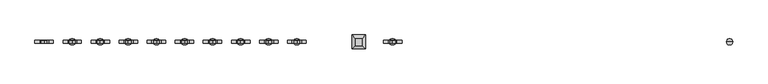
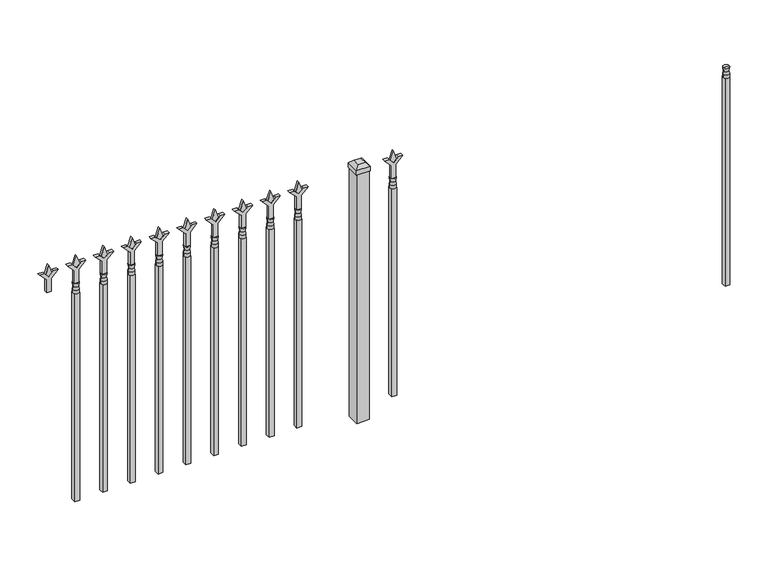
"""IFC4 building model written with IfcOpenShell, lengths in millimetres: railing geometry."""

from ifc_helpers import new_model, si_unit, frame, origin, origin_with_axes, place, context, project, spatial, polyline, circle_curve, outline, extrude, faceted_brep, source, transform, mapped, element, save
from ifc_brep_helpers import plane_surface, cylinder_surface, revolved_surface, advanced_brep


def railing_1340592c(model_context):
    return source(origin(), model_context, "Body", "SolidModel", [
        advanced_brep(
        [(-82699.574337, -6731.2570174, 927.1), (-82723.386837, -6731.2570174, 927.1), (-82723.386837, -6731.2570174, 914.4), (-82699.574337, -6731.2570174, 914.4), (-82701.7796688, -6731.2570174, 939.6070585), (-82721.1815051, -6731.2570174, 939.6070585), (-82699.574337, -6731.2570174, 955.675), (-82723.386837, -6731.2570174, 955.675), (-82711.480587, -6731.2570174, 955.675), (-82711.480587, -6731.2570174, 914.4)],
        [
            (0, 1, circle_curve(frame((-82711.480587, -6731.2570174, 927.1), z_axis=(0.0, 0.0, -1.0), x_axis=(-1.0, 0.0, 0.0)), 11.90625)),
            (1, 2),
            (2, 3, circle_curve(frame((-82711.480587, -6731.2570174, 914.4), z_axis=(0.0, 0.0, 1.0), x_axis=(-1.0, 0.0, 0.0)), 11.90625)),
            (3, 0),
            (1, 0, circle_curve(frame((-82711.480587, -6731.2570174, 927.1), z_axis=(0.0, 0.0, -1.0), x_axis=(-1.0, 0.0, 0.0)), 11.90625)),
            (3, 2, circle_curve(frame((-82711.480587, -6731.2570174, 914.4), z_axis=(0.0, 0.0, 1.0), x_axis=(-1.0, 0.0, 0.0)), 11.90625)),
            (4, 5, circle_curve(frame((-82711.480587, -6731.2570174, 939.6070585), z_axis=(0.0, 0.0, -1.0), x_axis=(-1.0, 0.0, 0.0)), 9.7009181)),
            (5, 1),
            (0, 4),
            (5, 4, circle_curve(frame((-82711.480587, -6731.2570174, 939.6070585), z_axis=(0.0, 0.0, -1.0), x_axis=(-1.0, 0.0, 0.0)), 9.7009181)),
            (6, 7, circle_curve(frame((-82711.480587, -6731.2570174, 955.675), z_axis=(0.0, 0.0, -1.0), x_axis=(-1.0, 0.0, 0.0)), 11.90625)),
            (7, 5),
            (4, 6),
            (7, 6, circle_curve(frame((-82711.480587, -6731.2570174, 955.675), z_axis=(0.0, 0.0, -1.0), x_axis=(-1.0, 0.0, 0.0)), 11.90625)),
            (8, 7),
            (6, 8),
            (2, 9),
            (9, 3),
        ],
        [
            cylinder_surface(frame((-82711.480587, -6731.2570174, 914.4), z_axis=(0.0, 0.0, 1.0), x_axis=(-1.0, 0.0, 0.0)), 11.90625),
            revolved_surface(polyline([(-82723.386837, -6731.2570174, 927.1), (-82721.1815051, -6731.2570174, 939.6070585)]), (-82711.480587, -6731.2570174, 914.4), (0.0, 0.0, 1.0)),
            revolved_surface(polyline([(-82721.1815051, -6731.2570174, 939.6070585), (-82723.386837, -6731.2570174, 955.675)]), (-82711.480587, -6731.2570174, 914.4), (0.0, 0.0, 1.0)),
            plane_surface(frame((-82711.480587, -6731.2570174, 955.675), z_axis=(0.0, 0.0, 1.0), x_axis=(-1.0, 0.0, 0.0))),
            plane_surface(frame((-82711.480587, -6731.2570174, 914.4), z_axis=(0.0, 0.0, -1.0), x_axis=(-1.0, 0.0, 0.0))),
        ],
        [
            (0, [[1, 2, 3, 4]]),
            (0, [[5, -4, 6, -2]]),
            (1, [[7, 8, -1, 9]]),
            (1, [[10, -9, -5, -8]]),
            (2, [[11, 12, -7, 13]]),
            (2, [[14, -13, -10, -12]]),
            (3, [[15, -11, 16]]),
            (3, [[-16, -14, -15]]),
            (4, [[-3, 17, 18]]),
            (4, [[-6, -18, -17]]),
        ],
    ),
        extrude(outline(polyline([(-82721.005587, -6721.7320174), (-82701.955587, -6721.7320174), (-82701.955587, -6740.7820174), (-82721.005587, -6740.7820174), (-82721.005587, -6721.7320174)])), frame((0.0, 0.0, 50.8), z_axis=(0.0, 0.0, 1.0), x_axis=(1.0, 0.0, 0.0)), (0.0, 0.0, 1.0), 863.6),
        extrude(outline(polyline([(1031.08125, -84010.849337), (1066.8, -84022.755587), (1031.08125, -84034.661837), (1019.175, -84022.755587), (1031.08125, -84010.849337)])), frame((0.0, -6736.0195174, 0.0), z_axis=(0.0, 1.0, 0.0), x_axis=(0.0, 0.0, 1.0)), (0.0, 0.0, 1.0), 9.525),
        extrude(outline(polyline([(955.675, -84014.024337), (1009.9457378, -84014.024337), (1037.1355122, -83986.8345625), (1037.1355122, -84004.7950747), (1019.175, -84022.755587), (1037.1355122, -84040.7160992), (1037.1355122, -84058.6766114), (1009.9457378, -84031.486837), (955.675, -84031.486837), (955.675, -84014.024337)])), frame((0.0, -6737.6070174, 0.0), z_axis=(0.0, 1.0, 0.0), x_axis=(0.0, 0.0, 1.0)), (0.0, 0.0, 1.0), 12.7),
        advanced_brep(
        [(-84010.849337, -6731.2570174, 927.1), (-84034.661837, -6731.2570174, 927.1), (-84034.661837, -6731.2570174, 914.4), (-84010.849337, -6731.2570174, 914.4), (-84013.0546688, -6731.2570174, 939.6070585), (-84032.4565051, -6731.2570174, 939.6070585), (-84010.849337, -6731.2570174, 955.675), (-84034.661837, -6731.2570174, 955.675), (-84022.755587, -6731.2570174, 955.675), (-84022.755587, -6731.2570174, 914.4)],
        [
            (0, 1, circle_curve(frame((-84022.755587, -6731.2570174, 927.1), z_axis=(0.0, 0.0, -1.0), x_axis=(-1.0, 0.0, 0.0)), 11.90625)),
            (1, 2),
            (2, 3, circle_curve(frame((-84022.755587, -6731.2570174, 914.4), z_axis=(0.0, 0.0, 1.0), x_axis=(-1.0, 0.0, 0.0)), 11.90625)),
            (3, 0),
            (1, 0, circle_curve(frame((-84022.755587, -6731.2570174, 927.1), z_axis=(0.0, 0.0, -1.0), x_axis=(-1.0, 0.0, 0.0)), 11.90625)),
            (3, 2, circle_curve(frame((-84022.755587, -6731.2570174, 914.4), z_axis=(0.0, 0.0, 1.0), x_axis=(-1.0, 0.0, 0.0)), 11.90625)),
            (4, 5, circle_curve(frame((-84022.755587, -6731.2570174, 939.6070585), z_axis=(0.0, 0.0, -1.0), x_axis=(-1.0, 0.0, 0.0)), 9.7009181)),
            (5, 1),
            (0, 4),
            (5, 4, circle_curve(frame((-84022.755587, -6731.2570174, 939.6070585), z_axis=(0.0, 0.0, -1.0), x_axis=(-1.0, 0.0, 0.0)), 9.7009181)),
            (6, 7, circle_curve(frame((-84022.755587, -6731.2570174, 955.675), z_axis=(0.0, 0.0, -1.0), x_axis=(-1.0, 0.0, 0.0)), 11.90625)),
            (7, 5),
            (4, 6),
            (7, 6, circle_curve(frame((-84022.755587, -6731.2570174, 955.675), z_axis=(0.0, 0.0, -1.0), x_axis=(-1.0, 0.0, 0.0)), 11.90625)),
            (8, 7),
            (6, 8),
            (2, 9),
            (9, 3),
        ],
        [
            cylinder_surface(frame((-84022.755587, -6731.2570174, 914.4), z_axis=(0.0, 0.0, 1.0), x_axis=(-1.0, 0.0, 0.0)), 11.90625),
            revolved_surface(polyline([(-84034.661837, -6731.2570174, 927.1), (-84032.4565051, -6731.2570174, 939.6070585)]), (-84022.755587, -6731.2570174, 914.4), (0.0, 0.0, 1.0)),
            revolved_surface(polyline([(-84032.4565051, -6731.2570174, 939.6070585), (-84034.661837, -6731.2570174, 955.675)]), (-84022.755587, -6731.2570174, 914.4), (0.0, 0.0, 1.0)),
            plane_surface(frame((-84022.755587, -6731.2570174, 955.675), z_axis=(0.0, 0.0, 1.0), x_axis=(-1.0, 0.0, 0.0))),
            plane_surface(frame((-84022.755587, -6731.2570174, 914.4), z_axis=(0.0, 0.0, -1.0), x_axis=(-1.0, 0.0, 0.0))),
        ],
        [
            (0, [[1, 2, 3, 4]]),
            (0, [[5, -4, 6, -2]]),
            (1, [[7, 8, -1, 9]]),
            (1, [[10, -9, -5, -8]]),
            (2, [[11, 12, -7, 13]]),
            (2, [[14, -13, -10, -12]]),
            (3, [[15, -11, 16]]),
            (3, [[-16, -14, -15]]),
            (4, [[-3, 17, 18]]),
            (4, [[-6, -18, -17]]),
        ],
    ),
        extrude(outline(polyline([(-84032.280587, -6721.7320174), (-84013.230587, -6721.7320174), (-84013.230587, -6740.7820174), (-84032.280587, -6740.7820174), (-84032.280587, -6721.7320174)])), frame((0.0, 0.0, 50.8), z_axis=(0.0, 0.0, 1.0), x_axis=(1.0, 0.0, 0.0)), (0.0, 0.0, 1.0), 863.6),
        faceted_brep([(-84181.505587, -6704.2695174, 1054.1), (-84181.505587, -6704.2695174, 1035.05), (-84181.505587, -6758.2445174, 1035.05), (-84181.505587, -6758.2445174, 1054.1), (-84168.805587, -6716.9695174, 1066.8), (-84168.805587, -6745.5445174, 1066.8), (-84127.530587, -6758.2445174, 1035.05), (-84127.530587, -6758.2445174, 1054.1), (-84140.230587, -6745.5445174, 1066.8), (-84127.530587, -6704.2695174, 1035.05), (-84127.530587, -6704.2695174, 1054.1), (-84140.230587, -6716.9695174, 1066.8)], [[[0, 1, 2, 3]], [[4, 0, 3, 5]], [[3, 2, 6, 7]], [[5, 3, 7, 8]], [[7, 6, 9, 10]], [[8, 7, 10, 11]], [[10, 9, 1, 0]], [[11, 10, 0, 4]], [[5, 8, 11, 4]], [[1, 9, 6, 2]]]),
        extrude(outline(polyline([(-84129.118087, -6705.8570174), (-84129.118087, -6756.6570174), (-84179.918087, -6756.6570174), (-84179.918087, -6705.8570174), (-84129.118087, -6705.8570174)])), origin_with_axes(), (0.0, 0.0, 1.0), 1035.05),
        extrude(outline(polyline([(1031.08125, -84383.6472536), (1066.8, -84395.5535036), (1031.08125, -84407.4597536), (1019.175, -84395.5535036), (1031.08125, -84383.6472536)])), frame((0.0, -6736.0195174, 0.0), z_axis=(0.0, 1.0, 0.0), x_axis=(0.0, 0.0, 1.0)), (0.0, 0.0, 1.0), 9.525),
        extrude(outline(polyline([(955.675, -84386.8222536), (1009.9457378, -84386.8222536), (1037.1355122, -84359.6324791), (1037.1355122, -84377.5929914), (1019.175, -84395.5535036), (1037.1355122, -84413.5140159), (1037.1355122, -84431.4745281), (1009.9457378, -84404.2847536), (955.675, -84404.2847536), (955.675, -84386.8222536)])), frame((0.0, -6737.6070174, 0.0), z_axis=(0.0, 1.0, 0.0), x_axis=(0.0, 0.0, 1.0)), (0.0, 0.0, 1.0), 12.7),
        advanced_brep(
        [(-84383.6472536, -6731.2570174, 927.1), (-84407.4597536, -6731.2570174, 927.1), (-84407.4597536, -6731.2570174, 914.4), (-84383.6472536, -6731.2570174, 914.4), (-84385.8525855, -6731.2570174, 939.6070585), (-84405.2544218, -6731.2570174, 939.6070585), (-84383.6472536, -6731.2570174, 955.675), (-84407.4597536, -6731.2570174, 955.675), (-84395.5535036, -6731.2570174, 955.675), (-84395.5535036, -6731.2570174, 914.4)],
        [
            (0, 1, circle_curve(frame((-84395.5535036, -6731.2570174, 927.1), z_axis=(0.0, 0.0, -1.0), x_axis=(-1.0, 0.0, 0.0)), 11.90625)),
            (1, 2),
            (2, 3, circle_curve(frame((-84395.5535036, -6731.2570174, 914.4), z_axis=(0.0, 0.0, 1.0), x_axis=(-1.0, 0.0, 0.0)), 11.90625)),
            (3, 0),
            (1, 0, circle_curve(frame((-84395.5535036, -6731.2570174, 927.1), z_axis=(0.0, 0.0, -1.0), x_axis=(-1.0, 0.0, 0.0)), 11.90625)),
            (3, 2, circle_curve(frame((-84395.5535036, -6731.2570174, 914.4), z_axis=(0.0, 0.0, 1.0), x_axis=(-1.0, 0.0, 0.0)), 11.90625)),
            (4, 5, circle_curve(frame((-84395.5535036, -6731.2570174, 939.6070585), z_axis=(0.0, 0.0, -1.0), x_axis=(-1.0, 0.0, 0.0)), 9.7009181)),
            (5, 1),
            (0, 4),
            (5, 4, circle_curve(frame((-84395.5535036, -6731.2570174, 939.6070585), z_axis=(0.0, 0.0, -1.0), x_axis=(-1.0, 0.0, 0.0)), 9.7009181)),
            (6, 7, circle_curve(frame((-84395.5535036, -6731.2570174, 955.675), z_axis=(0.0, 0.0, -1.0), x_axis=(-1.0, 0.0, 0.0)), 11.90625)),
            (7, 5),
            (4, 6),
            (7, 6, circle_curve(frame((-84395.5535036, -6731.2570174, 955.675), z_axis=(0.0, 0.0, -1.0), x_axis=(-1.0, 0.0, 0.0)), 11.90625)),
            (8, 7),
            (6, 8),
            (2, 9),
            (9, 3),
        ],
        [
            cylinder_surface(frame((-84395.5535036, -6731.2570174, 914.4), z_axis=(0.0, 0.0, 1.0), x_axis=(-1.0, 0.0, 0.0)), 11.90625),
            revolved_surface(polyline([(-84407.4597536, -6731.2570174, 927.1), (-84405.2544218, -6731.2570174, 939.6070585)]), (-84395.5535036, -6731.2570174, 914.4), (0.0, 0.0, 1.0)),
            revolved_surface(polyline([(-84405.2544218, -6731.2570174, 939.6070585), (-84407.4597536, -6731.2570174, 955.675)]), (-84395.5535036, -6731.2570174, 914.4), (0.0, 0.0, 1.0)),
            plane_surface(frame((-84395.5535036, -6731.2570174, 955.675), z_axis=(0.0, 0.0, 1.0), x_axis=(-1.0, 0.0, 0.0))),
            plane_surface(frame((-84395.5535036, -6731.2570174, 914.4), z_axis=(0.0, 0.0, -1.0), x_axis=(-1.0, 0.0, 0.0))),
        ],
        [
            (0, [[1, 2, 3, 4]]),
            (0, [[5, -4, 6, -2]]),
            (1, [[7, 8, -1, 9]]),
            (1, [[10, -9, -5, -8]]),
            (2, [[11, 12, -7, 13]]),
            (2, [[14, -13, -10, -12]]),
            (3, [[15, -11, 16]]),
            (3, [[-16, -14, -15]]),
            (4, [[-3, 17, 18]]),
            (4, [[-6, -18, -17]]),
        ],
    ),
        extrude(outline(polyline([(-84405.0785036, -6721.7320174), (-84386.0285036, -6721.7320174), (-84386.0285036, -6740.7820174), (-84405.0785036, -6740.7820174), (-84405.0785036, -6721.7320174)])), frame((0.0, 0.0, 50.8), z_axis=(0.0, 0.0, 1.0), x_axis=(1.0, 0.0, 0.0)), (0.0, 0.0, 1.0), 863.6),
        extrude(outline(polyline([(1031.08125, -84492.9201703), (1066.8, -84504.8264203), (1031.08125, -84516.7326703), (1019.175, -84504.8264203), (1031.08125, -84492.9201703)])), frame((0.0, -6736.0195174, 0.0), z_axis=(0.0, 1.0, 0.0), x_axis=(0.0, 0.0, 1.0)), (0.0, 0.0, 1.0), 9.525),
        extrude(outline(polyline([(955.675, -84496.0951703), (1009.9457378, -84496.0951703), (1037.1355122, -84468.9053958), (1037.1355122, -84486.8659081), (1019.175, -84504.8264203), (1037.1355122, -84522.7869325), (1037.1355122, -84540.7474448), (1009.9457378, -84513.5576703), (955.675, -84513.5576703), (955.675, -84496.0951703)])), frame((0.0, -6737.6070174, 0.0), z_axis=(0.0, 1.0, 0.0), x_axis=(0.0, 0.0, 1.0)), (0.0, 0.0, 1.0), 12.7),
        advanced_brep(
        [(-84492.9201703, -6731.2570174, 927.1), (-84516.7326703, -6731.2570174, 927.1), (-84516.7326703, -6731.2570174, 914.4), (-84492.9201703, -6731.2570174, 914.4), (-84495.1255022, -6731.2570174, 939.6070585), (-84514.5273384, -6731.2570174, 939.6070585), (-84492.9201703, -6731.2570174, 955.675), (-84516.7326703, -6731.2570174, 955.675), (-84504.8264203, -6731.2570174, 955.675), (-84504.8264203, -6731.2570174, 914.4)],
        [
            (0, 1, circle_curve(frame((-84504.8264203, -6731.2570174, 927.1), z_axis=(0.0, 0.0, -1.0), x_axis=(-1.0, 0.0, 0.0)), 11.90625)),
            (1, 2),
            (2, 3, circle_curve(frame((-84504.8264203, -6731.2570174, 914.4), z_axis=(0.0, 0.0, 1.0), x_axis=(-1.0, 0.0, 0.0)), 11.90625)),
            (3, 0),
            (1, 0, circle_curve(frame((-84504.8264203, -6731.2570174, 927.1), z_axis=(0.0, 0.0, -1.0), x_axis=(-1.0, 0.0, 0.0)), 11.90625)),
            (3, 2, circle_curve(frame((-84504.8264203, -6731.2570174, 914.4), z_axis=(0.0, 0.0, 1.0), x_axis=(-1.0, 0.0, 0.0)), 11.90625)),
            (4, 5, circle_curve(frame((-84504.8264203, -6731.2570174, 939.6070585), z_axis=(0.0, 0.0, -1.0), x_axis=(-1.0, 0.0, 0.0)), 9.7009181)),
            (5, 1),
            (0, 4),
            (5, 4, circle_curve(frame((-84504.8264203, -6731.2570174, 939.6070585), z_axis=(0.0, 0.0, -1.0), x_axis=(-1.0, 0.0, 0.0)), 9.7009181)),
            (6, 7, circle_curve(frame((-84504.8264203, -6731.2570174, 955.675), z_axis=(0.0, 0.0, -1.0), x_axis=(-1.0, 0.0, 0.0)), 11.90625)),
            (7, 5),
            (4, 6),
            (7, 6, circle_curve(frame((-84504.8264203, -6731.2570174, 955.675), z_axis=(0.0, 0.0, -1.0), x_axis=(-1.0, 0.0, 0.0)), 11.90625)),
            (8, 7),
            (6, 8),
            (2, 9),
            (9, 3),
        ],
        [
            cylinder_surface(frame((-84504.8264203, -6731.2570174, 914.4), z_axis=(0.0, 0.0, 1.0), x_axis=(-1.0, 0.0, 0.0)), 11.90625),
            revolved_surface(polyline([(-84516.7326703, -6731.2570174, 927.1), (-84514.5273384, -6731.2570174, 939.6070585)]), (-84504.8264203, -6731.2570174, 914.4), (0.0, 0.0, 1.0)),
            revolved_surface(polyline([(-84514.5273384, -6731.2570174, 939.6070585), (-84516.7326703, -6731.2570174, 955.675)]), (-84504.8264203, -6731.2570174, 914.4), (0.0, 0.0, 1.0)),
            plane_surface(frame((-84504.8264203, -6731.2570174, 955.675), z_axis=(0.0, 0.0, 1.0), x_axis=(-1.0, 0.0, 0.0))),
            plane_surface(frame((-84504.8264203, -6731.2570174, 914.4), z_axis=(0.0, 0.0, -1.0), x_axis=(-1.0, 0.0, 0.0))),
        ],
        [
            (0, [[1, 2, 3, 4]]),
            (0, [[5, -4, 6, -2]]),
            (1, [[7, 8, -1, 9]]),
            (1, [[10, -9, -5, -8]]),
            (2, [[11, 12, -7, 13]]),
            (2, [[14, -13, -10, -12]]),
            (3, [[15, -11, 16]]),
            (3, [[-16, -14, -15]]),
            (4, [[-3, 17, 18]]),
            (4, [[-6, -18, -17]]),
        ],
    ),
        extrude(outline(polyline([(-84514.3514203, -6721.7320174), (-84495.3014203, -6721.7320174), (-84495.3014203, -6740.7820174), (-84514.3514203, -6740.7820174), (-84514.3514203, -6721.7320174)])), frame((0.0, 0.0, 50.8), z_axis=(0.0, 0.0, 1.0), x_axis=(1.0, 0.0, 0.0)), (0.0, 0.0, 1.0), 863.6),
        extrude(outline(polyline([(1031.08125, -84602.193087), (1066.8, -84614.099337), (1031.08125, -84626.005587), (1019.175, -84614.099337), (1031.08125, -84602.193087)])), frame((0.0, -6736.0195174, 0.0), z_axis=(0.0, 1.0, 0.0), x_axis=(0.0, 0.0, 1.0)), (0.0, 0.0, 1.0), 9.525),
        extrude(outline(polyline([(955.675, -84605.368087), (1009.9457378, -84605.368087), (1037.1355122, -84578.1783125), (1037.1355122, -84596.1388247), (1019.175, -84614.099337), (1037.1355122, -84632.0598492), (1037.1355122, -84650.0203614), (1009.9457378, -84622.830587), (955.675, -84622.830587), (955.675, -84605.368087)])), frame((0.0, -6737.6070174, 0.0), z_axis=(0.0, 1.0, 0.0), x_axis=(0.0, 0.0, 1.0)), (0.0, 0.0, 1.0), 12.7),
        advanced_brep(
        [(-84602.193087, -6731.2570174, 927.1), (-84626.005587, -6731.2570174, 927.1), (-84626.005587, -6731.2570174, 914.4), (-84602.193087, -6731.2570174, 914.4), (-84604.3984188, -6731.2570174, 939.6070585), (-84623.8002551, -6731.2570174, 939.6070585), (-84602.193087, -6731.2570174, 955.675), (-84626.005587, -6731.2570174, 955.675), (-84614.099337, -6731.2570174, 955.675), (-84614.099337, -6731.2570174, 914.4)],
        [
            (0, 1, circle_curve(frame((-84614.099337, -6731.2570174, 927.1), z_axis=(0.0, 0.0, -1.0), x_axis=(-1.0, 0.0, 0.0)), 11.90625)),
            (1, 2),
            (2, 3, circle_curve(frame((-84614.099337, -6731.2570174, 914.4), z_axis=(0.0, 0.0, 1.0), x_axis=(-1.0, 0.0, 0.0)), 11.90625)),
            (3, 0),
            (1, 0, circle_curve(frame((-84614.099337, -6731.2570174, 927.1), z_axis=(0.0, 0.0, -1.0), x_axis=(-1.0, 0.0, 0.0)), 11.90625)),
            (3, 2, circle_curve(frame((-84614.099337, -6731.2570174, 914.4), z_axis=(0.0, 0.0, 1.0), x_axis=(-1.0, 0.0, 0.0)), 11.90625)),
            (4, 5, circle_curve(frame((-84614.099337, -6731.2570174, 939.6070585), z_axis=(0.0, 0.0, -1.0), x_axis=(-1.0, 0.0, 0.0)), 9.7009181)),
            (5, 1),
            (0, 4),
            (5, 4, circle_curve(frame((-84614.099337, -6731.2570174, 939.6070585), z_axis=(0.0, 0.0, -1.0), x_axis=(-1.0, 0.0, 0.0)), 9.7009181)),
            (6, 7, circle_curve(frame((-84614.099337, -6731.2570174, 955.675), z_axis=(0.0, 0.0, -1.0), x_axis=(-1.0, 0.0, 0.0)), 11.90625)),
            (7, 5),
            (4, 6),
            (7, 6, circle_curve(frame((-84614.099337, -6731.2570174, 955.675), z_axis=(0.0, 0.0, -1.0), x_axis=(-1.0, 0.0, 0.0)), 11.90625)),
            (8, 7),
            (6, 8),
            (2, 9),
            (9, 3),
        ],
        [
            cylinder_surface(frame((-84614.099337, -6731.2570174, 914.4), z_axis=(0.0, 0.0, 1.0), x_axis=(-1.0, 0.0, 0.0)), 11.90625),
            revolved_surface(polyline([(-84626.005587, -6731.2570174, 927.1), (-84623.8002551, -6731.2570174, 939.6070585)]), (-84614.099337, -6731.2570174, 914.4), (0.0, 0.0, 1.0)),
            revolved_surface(polyline([(-84623.8002551, -6731.2570174, 939.6070585), (-84626.005587, -6731.2570174, 955.675)]), (-84614.099337, -6731.2570174, 914.4), (0.0, 0.0, 1.0)),
            plane_surface(frame((-84614.099337, -6731.2570174, 955.675), z_axis=(0.0, 0.0, 1.0), x_axis=(-1.0, 0.0, 0.0))),
            plane_surface(frame((-84614.099337, -6731.2570174, 914.4), z_axis=(0.0, 0.0, -1.0), x_axis=(-1.0, 0.0, 0.0))),
        ],
        [
            (0, [[1, 2, 3, 4]]),
            (0, [[5, -4, 6, -2]]),
            (1, [[7, 8, -1, 9]]),
            (1, [[10, -9, -5, -8]]),
            (2, [[11, 12, -7, 13]]),
            (2, [[14, -13, -10, -12]]),
            (3, [[15, -11, 16]]),
            (3, [[-16, -14, -15]]),
            (4, [[-3, 17, 18]]),
            (4, [[-6, -18, -17]]),
        ],
    ),
        extrude(outline(polyline([(-84623.624337, -6721.7320174), (-84604.574337, -6721.7320174), (-84604.574337, -6740.7820174), (-84623.624337, -6740.7820174), (-84623.624337, -6721.7320174)])), frame((0.0, 0.0, 50.8), z_axis=(0.0, 0.0, 1.0), x_axis=(1.0, 0.0, 0.0)), (0.0, 0.0, 1.0), 863.6),
        extrude(outline(polyline([(1031.08125, -84711.4660036), (1066.8, -84723.3722536), (1031.08125, -84735.2785036), (1019.175, -84723.3722536), (1031.08125, -84711.4660036)])), frame((0.0, -6736.0195174, 0.0), z_axis=(0.0, 1.0, 0.0), x_axis=(0.0, 0.0, 1.0)), (0.0, 0.0, 1.0), 9.525),
        extrude(outline(polyline([(955.675, -84714.6410036), (1009.9457378, -84714.6410036), (1037.1355122, -84687.4512291), (1037.1355122, -84705.4117414), (1019.175, -84723.3722536), (1037.1355122, -84741.3327659), (1037.1355122, -84759.2932781), (1009.9457378, -84732.1035036), (955.675, -84732.1035036), (955.675, -84714.6410036)])), frame((0.0, -6737.6070174, 0.0), z_axis=(0.0, 1.0, 0.0), x_axis=(0.0, 0.0, 1.0)), (0.0, 0.0, 1.0), 12.7),
        advanced_brep(
        [(-84711.4660036, -6731.2570174, 927.1), (-84735.2785036, -6731.2570174, 927.1), (-84735.2785036, -6731.2570174, 914.4), (-84711.4660036, -6731.2570174, 914.4), (-84713.6713355, -6731.2570174, 939.6070585), (-84733.0731718, -6731.2570174, 939.6070585), (-84711.4660036, -6731.2570174, 955.675), (-84735.2785036, -6731.2570174, 955.675), (-84723.3722536, -6731.2570174, 955.675), (-84723.3722536, -6731.2570174, 914.4)],
        [
            (0, 1, circle_curve(frame((-84723.3722536, -6731.2570174, 927.1), z_axis=(0.0, 0.0, -1.0), x_axis=(-1.0, 0.0, 0.0)), 11.90625)),
            (1, 2),
            (2, 3, circle_curve(frame((-84723.3722536, -6731.2570174, 914.4), z_axis=(0.0, 0.0, 1.0), x_axis=(-1.0, 0.0, 0.0)), 11.90625)),
            (3, 0),
            (1, 0, circle_curve(frame((-84723.3722536, -6731.2570174, 927.1), z_axis=(0.0, 0.0, -1.0), x_axis=(-1.0, 0.0, 0.0)), 11.90625)),
            (3, 2, circle_curve(frame((-84723.3722536, -6731.2570174, 914.4), z_axis=(0.0, 0.0, 1.0), x_axis=(-1.0, 0.0, 0.0)), 11.90625)),
            (4, 5, circle_curve(frame((-84723.3722536, -6731.2570174, 939.6070585), z_axis=(0.0, 0.0, -1.0), x_axis=(-1.0, 0.0, 0.0)), 9.7009181)),
            (5, 1),
            (0, 4),
            (5, 4, circle_curve(frame((-84723.3722536, -6731.2570174, 939.6070585), z_axis=(0.0, 0.0, -1.0), x_axis=(-1.0, 0.0, 0.0)), 9.7009181)),
            (6, 7, circle_curve(frame((-84723.3722536, -6731.2570174, 955.675), z_axis=(0.0, 0.0, -1.0), x_axis=(-1.0, 0.0, 0.0)), 11.90625)),
            (7, 5),
            (4, 6),
            (7, 6, circle_curve(frame((-84723.3722536, -6731.2570174, 955.675), z_axis=(0.0, 0.0, -1.0), x_axis=(-1.0, 0.0, 0.0)), 11.90625)),
            (8, 7),
            (6, 8),
            (2, 9),
            (9, 3),
        ],
        [
            cylinder_surface(frame((-84723.3722536, -6731.2570174, 914.4), z_axis=(0.0, 0.0, 1.0), x_axis=(-1.0, 0.0, 0.0)), 11.90625),
            revolved_surface(polyline([(-84735.2785036, -6731.2570174, 927.1), (-84733.0731718, -6731.2570174, 939.6070585)]), (-84723.3722536, -6731.2570174, 914.4), (0.0, 0.0, 1.0)),
            revolved_surface(polyline([(-84733.0731718, -6731.2570174, 939.6070585), (-84735.2785036, -6731.2570174, 955.675)]), (-84723.3722536, -6731.2570174, 914.4), (0.0, 0.0, 1.0)),
            plane_surface(frame((-84723.3722536, -6731.2570174, 955.675), z_axis=(0.0, 0.0, 1.0), x_axis=(-1.0, 0.0, 0.0))),
            plane_surface(frame((-84723.3722536, -6731.2570174, 914.4), z_axis=(0.0, 0.0, -1.0), x_axis=(-1.0, 0.0, 0.0))),
        ],
        [
            (0, [[1, 2, 3, 4]]),
            (0, [[5, -4, 6, -2]]),
            (1, [[7, 8, -1, 9]]),
            (1, [[10, -9, -5, -8]]),
            (2, [[11, 12, -7, 13]]),
            (2, [[14, -13, -10, -12]]),
            (3, [[15, -11, 16]]),
            (3, [[-16, -14, -15]]),
            (4, [[-3, 17, 18]]),
            (4, [[-6, -18, -17]]),
        ],
    ),
        extrude(outline(polyline([(-84732.8972536, -6721.7320174), (-84713.8472536, -6721.7320174), (-84713.8472536, -6740.7820174), (-84732.8972536, -6740.7820174), (-84732.8972536, -6721.7320174)])), frame((0.0, 0.0, 50.8), z_axis=(0.0, 0.0, 1.0), x_axis=(1.0, 0.0, 0.0)), (0.0, 0.0, 1.0), 863.6),
        extrude(outline(polyline([(1031.08125, -84820.7389203), (1066.8, -84832.6451703), (1031.08125, -84844.5514203), (1019.175, -84832.6451703), (1031.08125, -84820.7389203)])), frame((0.0, -6736.0195174, 0.0), z_axis=(0.0, 1.0, 0.0), x_axis=(0.0, 0.0, 1.0)), (0.0, 0.0, 1.0), 9.525),
        extrude(outline(polyline([(955.675, -84823.9139203), (1009.9457378, -84823.9139203), (1037.1355122, -84796.7241458), (1037.1355122, -84814.6846581), (1019.175, -84832.6451703), (1037.1355122, -84850.6056825), (1037.1355122, -84868.5661948), (1009.9457378, -84841.3764203), (955.675, -84841.3764203), (955.675, -84823.9139203)])), frame((0.0, -6737.6070174, 0.0), z_axis=(0.0, 1.0, 0.0), x_axis=(0.0, 0.0, 1.0)), (0.0, 0.0, 1.0), 12.7),
        advanced_brep(
        [(-84820.7389203, -6731.2570174, 927.1), (-84844.5514203, -6731.2570174, 927.1), (-84844.5514203, -6731.2570174, 914.4), (-84820.7389203, -6731.2570174, 914.4), (-84822.9442522, -6731.2570174, 939.6070585), (-84842.3460884, -6731.2570174, 939.6070585), (-84820.7389203, -6731.2570174, 955.675), (-84844.5514203, -6731.2570174, 955.675), (-84832.6451703, -6731.2570174, 955.675), (-84832.6451703, -6731.2570174, 914.4)],
        [
            (0, 1, circle_curve(frame((-84832.6451703, -6731.2570174, 927.1), z_axis=(0.0, 0.0, -1.0), x_axis=(-1.0, 0.0, 0.0)), 11.90625)),
            (1, 2),
            (2, 3, circle_curve(frame((-84832.6451703, -6731.2570174, 914.4), z_axis=(0.0, 0.0, 1.0), x_axis=(-1.0, 0.0, 0.0)), 11.90625)),
            (3, 0),
            (1, 0, circle_curve(frame((-84832.6451703, -6731.2570174, 927.1), z_axis=(0.0, 0.0, -1.0), x_axis=(-1.0, 0.0, 0.0)), 11.90625)),
            (3, 2, circle_curve(frame((-84832.6451703, -6731.2570174, 914.4), z_axis=(0.0, 0.0, 1.0), x_axis=(-1.0, 0.0, 0.0)), 11.90625)),
            (4, 5, circle_curve(frame((-84832.6451703, -6731.2570174, 939.6070585), z_axis=(0.0, 0.0, -1.0), x_axis=(-1.0, 0.0, 0.0)), 9.7009181)),
            (5, 1),
            (0, 4),
            (5, 4, circle_curve(frame((-84832.6451703, -6731.2570174, 939.6070585), z_axis=(0.0, 0.0, -1.0), x_axis=(-1.0, 0.0, 0.0)), 9.7009181)),
            (6, 7, circle_curve(frame((-84832.6451703, -6731.2570174, 955.675), z_axis=(0.0, 0.0, -1.0), x_axis=(-1.0, 0.0, 0.0)), 11.90625)),
            (7, 5),
            (4, 6),
            (7, 6, circle_curve(frame((-84832.6451703, -6731.2570174, 955.675), z_axis=(0.0, 0.0, -1.0), x_axis=(-1.0, 0.0, 0.0)), 11.90625)),
            (8, 7),
            (6, 8),
            (2, 9),
            (9, 3),
        ],
        [
            cylinder_surface(frame((-84832.6451703, -6731.2570174, 914.4), z_axis=(0.0, 0.0, 1.0), x_axis=(-1.0, 0.0, 0.0)), 11.90625),
            revolved_surface(polyline([(-84844.5514203, -6731.2570174, 927.1), (-84842.3460884, -6731.2570174, 939.6070585)]), (-84832.6451703, -6731.2570174, 914.4), (0.0, 0.0, 1.0)),
            revolved_surface(polyline([(-84842.3460884, -6731.2570174, 939.6070585), (-84844.5514203, -6731.2570174, 955.675)]), (-84832.6451703, -6731.2570174, 914.4), (0.0, 0.0, 1.0)),
            plane_surface(frame((-84832.6451703, -6731.2570174, 955.675), z_axis=(0.0, 0.0, 1.0), x_axis=(-1.0, 0.0, 0.0))),
            plane_surface(frame((-84832.6451703, -6731.2570174, 914.4), z_axis=(0.0, 0.0, -1.0), x_axis=(-1.0, 0.0, 0.0))),
        ],
        [
            (0, [[1, 2, 3, 4]]),
            (0, [[5, -4, 6, -2]]),
            (1, [[7, 8, -1, 9]]),
            (1, [[10, -9, -5, -8]]),
            (2, [[11, 12, -7, 13]]),
            (2, [[14, -13, -10, -12]]),
            (3, [[15, -11, 16]]),
            (3, [[-16, -14, -15]]),
            (4, [[-3, 17, 18]]),
            (4, [[-6, -18, -17]]),
        ],
    ),
        extrude(outline(polyline([(-84842.1701703, -6721.7320174), (-84823.1201703, -6721.7320174), (-84823.1201703, -6740.7820174), (-84842.1701703, -6740.7820174), (-84842.1701703, -6721.7320174)])), frame((0.0, 0.0, 50.8), z_axis=(0.0, 0.0, 1.0), x_axis=(1.0, 0.0, 0.0)), (0.0, 0.0, 1.0), 863.6),
        extrude(outline(polyline([(1031.08125, -84930.011837), (1066.8, -84941.918087), (1031.08125, -84953.824337), (1019.175, -84941.918087), (1031.08125, -84930.011837)])), frame((0.0, -6736.0195174, 0.0), z_axis=(0.0, 1.0, 0.0), x_axis=(0.0, 0.0, 1.0)), (0.0, 0.0, 1.0), 9.525),
        extrude(outline(polyline([(955.675, -84933.186837), (1009.9457378, -84933.186837), (1037.1355122, -84905.9970625), (1037.1355122, -84923.9575747), (1019.175, -84941.918087), (1037.1355122, -84959.8785992), (1037.1355122, -84977.8391114), (1009.9457378, -84950.649337), (955.675, -84950.649337), (955.675, -84933.186837)])), frame((0.0, -6737.6070174, 0.0), z_axis=(0.0, 1.0, 0.0), x_axis=(0.0, 0.0, 1.0)), (0.0, 0.0, 1.0), 12.7),
        advanced_brep(
        [(-84930.011837, -6731.2570174, 927.1), (-84953.824337, -6731.2570174, 927.1), (-84953.824337, -6731.2570174, 914.4), (-84930.011837, -6731.2570174, 914.4), (-84932.2171688, -6731.2570174, 939.6070585), (-84951.6190051, -6731.2570174, 939.6070585), (-84930.011837, -6731.2570174, 955.675), (-84953.824337, -6731.2570174, 955.675), (-84941.918087, -6731.2570174, 955.675), (-84941.918087, -6731.2570174, 914.4)],
        [
            (0, 1, circle_curve(frame((-84941.918087, -6731.2570174, 927.1), z_axis=(0.0, 0.0, -1.0), x_axis=(-1.0, 0.0, 0.0)), 11.90625)),
            (1, 2),
            (2, 3, circle_curve(frame((-84941.918087, -6731.2570174, 914.4), z_axis=(0.0, 0.0, 1.0), x_axis=(-1.0, 0.0, 0.0)), 11.90625)),
            (3, 0),
            (1, 0, circle_curve(frame((-84941.918087, -6731.2570174, 927.1), z_axis=(0.0, 0.0, -1.0), x_axis=(-1.0, 0.0, 0.0)), 11.90625)),
            (3, 2, circle_curve(frame((-84941.918087, -6731.2570174, 914.4), z_axis=(0.0, 0.0, 1.0), x_axis=(-1.0, 0.0, 0.0)), 11.90625)),
            (4, 5, circle_curve(frame((-84941.918087, -6731.2570174, 939.6070585), z_axis=(0.0, 0.0, -1.0), x_axis=(-1.0, 0.0, 0.0)), 9.7009181)),
            (5, 1),
            (0, 4),
            (5, 4, circle_curve(frame((-84941.918087, -6731.2570174, 939.6070585), z_axis=(0.0, 0.0, -1.0), x_axis=(-1.0, 0.0, 0.0)), 9.7009181)),
            (6, 7, circle_curve(frame((-84941.918087, -6731.2570174, 955.675), z_axis=(0.0, 0.0, -1.0), x_axis=(-1.0, 0.0, 0.0)), 11.90625)),
            (7, 5),
            (4, 6),
            (7, 6, circle_curve(frame((-84941.918087, -6731.2570174, 955.675), z_axis=(0.0, 0.0, -1.0), x_axis=(-1.0, 0.0, 0.0)), 11.90625)),
            (8, 7),
            (6, 8),
            (2, 9),
            (9, 3),
        ],
        [
            cylinder_surface(frame((-84941.918087, -6731.2570174, 914.4), z_axis=(0.0, 0.0, 1.0), x_axis=(-1.0, 0.0, 0.0)), 11.90625),
            revolved_surface(polyline([(-84953.824337, -6731.2570174, 927.1), (-84951.6190051, -6731.2570174, 939.6070585)]), (-84941.918087, -6731.2570174, 914.4), (0.0, 0.0, 1.0)),
            revolved_surface(polyline([(-84951.6190051, -6731.2570174, 939.6070585), (-84953.824337, -6731.2570174, 955.675)]), (-84941.918087, -6731.2570174, 914.4), (0.0, 0.0, 1.0)),
            plane_surface(frame((-84941.918087, -6731.2570174, 955.675), z_axis=(0.0, 0.0, 1.0), x_axis=(-1.0, 0.0, 0.0))),
            plane_surface(frame((-84941.918087, -6731.2570174, 914.4), z_axis=(0.0, 0.0, -1.0), x_axis=(-1.0, 0.0, 0.0))),
        ],
        [
            (0, [[1, 2, 3, 4]]),
            (0, [[5, -4, 6, -2]]),
            (1, [[7, 8, -1, 9]]),
            (1, [[10, -9, -5, -8]]),
            (2, [[11, 12, -7, 13]]),
            (2, [[14, -13, -10, -12]]),
            (3, [[15, -11, 16]]),
            (3, [[-16, -14, -15]]),
            (4, [[-3, 17, 18]]),
            (4, [[-6, -18, -17]]),
        ],
    ),
        extrude(outline(polyline([(-84951.443087, -6721.7320174), (-84932.393087, -6721.7320174), (-84932.393087, -6740.7820174), (-84951.443087, -6740.7820174), (-84951.443087, -6721.7320174)])), frame((0.0, 0.0, 50.8), z_axis=(0.0, 0.0, 1.0), x_axis=(1.0, 0.0, 0.0)), (0.0, 0.0, 1.0), 863.6),
        extrude(outline(polyline([(1031.08125, -85039.2847536), (1066.8, -85051.1910036), (1031.08125, -85063.0972536), (1019.175, -85051.1910036), (1031.08125, -85039.2847536)])), frame((0.0, -6736.0195174, 0.0), z_axis=(0.0, 1.0, 0.0), x_axis=(0.0, 0.0, 1.0)), (0.0, 0.0, 1.0), 9.525),
        extrude(outline(polyline([(955.675, -85042.4597536), (1009.9457378, -85042.4597536), (1037.1355122, -85015.2699791), (1037.1355122, -85033.2304914), (1019.175, -85051.1910036), (1037.1355122, -85069.1515159), (1037.1355122, -85087.1120281), (1009.9457378, -85059.9222536), (955.675, -85059.9222536), (955.675, -85042.4597536)])), frame((0.0, -6737.6070174, 0.0), z_axis=(0.0, 1.0, 0.0), x_axis=(0.0, 0.0, 1.0)), (0.0, 0.0, 1.0), 12.7),
        advanced_brep(
        [(-85039.2847536, -6731.2570174, 927.1), (-85063.0972536, -6731.2570174, 927.1), (-85063.0972536, -6731.2570174, 914.4), (-85039.2847536, -6731.2570174, 914.4), (-85041.4900855, -6731.2570174, 939.6070585), (-85060.8919218, -6731.2570174, 939.6070585), (-85039.2847536, -6731.2570174, 955.675), (-85063.0972536, -6731.2570174, 955.675), (-85051.1910036, -6731.2570174, 955.675), (-85051.1910036, -6731.2570174, 914.4)],
        [
            (0, 1, circle_curve(frame((-85051.1910036, -6731.2570174, 927.1), z_axis=(0.0, 0.0, -1.0), x_axis=(-1.0, 0.0, 0.0)), 11.90625)),
            (1, 2),
            (2, 3, circle_curve(frame((-85051.1910036, -6731.2570174, 914.4), z_axis=(0.0, 0.0, 1.0), x_axis=(-1.0, 0.0, 0.0)), 11.90625)),
            (3, 0),
            (1, 0, circle_curve(frame((-85051.1910036, -6731.2570174, 927.1), z_axis=(0.0, 0.0, -1.0), x_axis=(-1.0, 0.0, 0.0)), 11.90625)),
            (3, 2, circle_curve(frame((-85051.1910036, -6731.2570174, 914.4), z_axis=(0.0, 0.0, 1.0), x_axis=(-1.0, 0.0, 0.0)), 11.90625)),
            (4, 5, circle_curve(frame((-85051.1910036, -6731.2570174, 939.6070585), z_axis=(0.0, 0.0, -1.0), x_axis=(-1.0, 0.0, 0.0)), 9.7009181)),
            (5, 1),
            (0, 4),
            (5, 4, circle_curve(frame((-85051.1910036, -6731.2570174, 939.6070585), z_axis=(0.0, 0.0, -1.0), x_axis=(-1.0, 0.0, 0.0)), 9.7009181)),
            (6, 7, circle_curve(frame((-85051.1910036, -6731.2570174, 955.675), z_axis=(0.0, 0.0, -1.0), x_axis=(-1.0, 0.0, 0.0)), 11.90625)),
            (7, 5),
            (4, 6),
            (7, 6, circle_curve(frame((-85051.1910036, -6731.2570174, 955.675), z_axis=(0.0, 0.0, -1.0), x_axis=(-1.0, 0.0, 0.0)), 11.90625)),
            (8, 7),
            (6, 8),
            (2, 9),
            (9, 3),
        ],
        [
            cylinder_surface(frame((-85051.1910036, -6731.2570174, 914.4), z_axis=(0.0, 0.0, 1.0), x_axis=(-1.0, 0.0, 0.0)), 11.90625),
            revolved_surface(polyline([(-85063.0972536, -6731.2570174, 927.1), (-85060.8919218, -6731.2570174, 939.6070585)]), (-85051.1910036, -6731.2570174, 914.4), (0.0, 0.0, 1.0)),
            revolved_surface(polyline([(-85060.8919218, -6731.2570174, 939.6070585), (-85063.0972536, -6731.2570174, 955.675)]), (-85051.1910036, -6731.2570174, 914.4), (0.0, 0.0, 1.0)),
            plane_surface(frame((-85051.1910036, -6731.2570174, 955.675), z_axis=(0.0, 0.0, 1.0), x_axis=(-1.0, 0.0, 0.0))),
            plane_surface(frame((-85051.1910036, -6731.2570174, 914.4), z_axis=(0.0, 0.0, -1.0), x_axis=(-1.0, 0.0, 0.0))),
        ],
        [
            (0, [[1, 2, 3, 4]]),
            (0, [[5, -4, 6, -2]]),
            (1, [[7, 8, -1, 9]]),
            (1, [[10, -9, -5, -8]]),
            (2, [[11, 12, -7, 13]]),
            (2, [[14, -13, -10, -12]]),
            (3, [[15, -11, 16]]),
            (3, [[-16, -14, -15]]),
            (4, [[-3, 17, 18]]),
            (4, [[-6, -18, -17]]),
        ],
    ),
        extrude(outline(polyline([(-85060.7160036, -6721.7320174), (-85041.6660036, -6721.7320174), (-85041.6660036, -6740.7820174), (-85060.7160036, -6740.7820174), (-85060.7160036, -6721.7320174)])), frame((0.0, 0.0, 50.8), z_axis=(0.0, 0.0, 1.0), x_axis=(1.0, 0.0, 0.0)), (0.0, 0.0, 1.0), 863.6),
        extrude(outline(polyline([(1031.08125, -85148.5576703), (1066.8, -85160.4639203), (1031.08125, -85172.3701703), (1019.175, -85160.4639203), (1031.08125, -85148.5576703)])), frame((0.0, -6736.0195174, 0.0), z_axis=(0.0, 1.0, 0.0), x_axis=(0.0, 0.0, 1.0)), (0.0, 0.0, 1.0), 9.525),
        extrude(outline(polyline([(955.675, -85151.7326703), (1009.9457378, -85151.7326703), (1037.1355122, -85124.5428958), (1037.1355122, -85142.5034081), (1019.175, -85160.4639203), (1037.1355122, -85178.4244325), (1037.1355122, -85196.3849448), (1009.9457378, -85169.1951703), (955.675, -85169.1951703), (955.675, -85151.7326703)])), frame((0.0, -6737.6070174, 0.0), z_axis=(0.0, 1.0, 0.0), x_axis=(0.0, 0.0, 1.0)), (0.0, 0.0, 1.0), 12.7),
        advanced_brep(
        [(-85148.5576703, -6731.2570174, 927.1), (-85172.3701703, -6731.2570174, 927.1), (-85172.3701703, -6731.2570174, 914.4), (-85148.5576703, -6731.2570174, 914.4), (-85150.7630022, -6731.2570174, 939.6070585), (-85170.1648384, -6731.2570174, 939.6070585), (-85148.5576703, -6731.2570174, 955.675), (-85172.3701703, -6731.2570174, 955.675), (-85160.4639203, -6731.2570174, 955.675), (-85160.4639203, -6731.2570174, 914.4)],
        [
            (0, 1, circle_curve(frame((-85160.4639203, -6731.2570174, 927.1), z_axis=(0.0, 0.0, -1.0), x_axis=(-1.0, 0.0, 0.0)), 11.90625)),
            (1, 2),
            (2, 3, circle_curve(frame((-85160.4639203, -6731.2570174, 914.4), z_axis=(0.0, 0.0, 1.0), x_axis=(-1.0, 0.0, 0.0)), 11.90625)),
            (3, 0),
            (1, 0, circle_curve(frame((-85160.4639203, -6731.2570174, 927.1), z_axis=(0.0, 0.0, -1.0), x_axis=(-1.0, 0.0, 0.0)), 11.90625)),
            (3, 2, circle_curve(frame((-85160.4639203, -6731.2570174, 914.4), z_axis=(0.0, 0.0, 1.0), x_axis=(-1.0, 0.0, 0.0)), 11.90625)),
            (4, 5, circle_curve(frame((-85160.4639203, -6731.2570174, 939.6070585), z_axis=(0.0, 0.0, -1.0), x_axis=(-1.0, 0.0, 0.0)), 9.7009181)),
            (5, 1),
            (0, 4),
            (5, 4, circle_curve(frame((-85160.4639203, -6731.2570174, 939.6070585), z_axis=(0.0, 0.0, -1.0), x_axis=(-1.0, 0.0, 0.0)), 9.7009181)),
            (6, 7, circle_curve(frame((-85160.4639203, -6731.2570174, 955.675), z_axis=(0.0, 0.0, -1.0), x_axis=(-1.0, 0.0, 0.0)), 11.90625)),
            (7, 5),
            (4, 6),
            (7, 6, circle_curve(frame((-85160.4639203, -6731.2570174, 955.675), z_axis=(0.0, 0.0, -1.0), x_axis=(-1.0, 0.0, 0.0)), 11.90625)),
            (8, 7),
            (6, 8),
            (2, 9),
            (9, 3),
        ],
        [
            cylinder_surface(frame((-85160.4639203, -6731.2570174, 914.4), z_axis=(0.0, 0.0, 1.0), x_axis=(-1.0, 0.0, 0.0)), 11.90625),
            revolved_surface(polyline([(-85172.3701703, -6731.2570174, 927.1), (-85170.1648384, -6731.2570174, 939.6070585)]), (-85160.4639203, -6731.2570174, 914.4), (0.0, 0.0, 1.0)),
            revolved_surface(polyline([(-85170.1648384, -6731.2570174, 939.6070585), (-85172.3701703, -6731.2570174, 955.675)]), (-85160.4639203, -6731.2570174, 914.4), (0.0, 0.0, 1.0)),
            plane_surface(frame((-85160.4639203, -6731.2570174, 955.675), z_axis=(0.0, 0.0, 1.0), x_axis=(-1.0, 0.0, 0.0))),
            plane_surface(frame((-85160.4639203, -6731.2570174, 914.4), z_axis=(0.0, 0.0, -1.0), x_axis=(-1.0, 0.0, 0.0))),
        ],
        [
            (0, [[1, 2, 3, 4]]),
            (0, [[5, -4, 6, -2]]),
            (1, [[7, 8, -1, 9]]),
            (1, [[10, -9, -5, -8]]),
            (2, [[11, 12, -7, 13]]),
            (2, [[14, -13, -10, -12]]),
            (3, [[15, -11, 16]]),
            (3, [[-16, -14, -15]]),
            (4, [[-3, 17, 18]]),
            (4, [[-6, -18, -17]]),
        ],
    ),
        extrude(outline(polyline([(-85169.9889203, -6721.7320174), (-85150.9389203, -6721.7320174), (-85150.9389203, -6740.7820174), (-85169.9889203, -6740.7820174), (-85169.9889203, -6721.7320174)])), frame((0.0, 0.0, 50.8), z_axis=(0.0, 0.0, 1.0), x_axis=(1.0, 0.0, 0.0)), (0.0, 0.0, 1.0), 863.6),
        extrude(outline(polyline([(1031.08125, -85257.830587), (1066.8, -85269.736837), (1031.08125, -85281.643087), (1019.175, -85269.736837), (1031.08125, -85257.830587)])), frame((0.0, -6736.0195174, 0.0), z_axis=(0.0, 1.0, 0.0), x_axis=(0.0, 0.0, 1.0)), (0.0, 0.0, 1.0), 9.525),
        extrude(outline(polyline([(955.675, -85261.005587), (1009.9457378, -85261.005587), (1037.1355122, -85233.8158125), (1037.1355122, -85251.7763247), (1019.175, -85269.736837), (1037.1355122, -85287.6973492), (1037.1355122, -85305.6578614), (1009.9457378, -85278.468087), (955.675, -85278.468087), (955.675, -85261.005587)])), frame((0.0, -6737.6070174, 0.0), z_axis=(0.0, 1.0, 0.0), x_axis=(0.0, 0.0, 1.0)), (0.0, 0.0, 1.0), 12.7),
        advanced_brep(
        [(-85257.830587, -6731.2570174, 927.1), (-85281.643087, -6731.2570174, 927.1), (-85281.643087, -6731.2570174, 914.4), (-85257.830587, -6731.2570174, 914.4), (-85260.0359188, -6731.2570174, 939.6070585), (-85279.4377551, -6731.2570174, 939.6070585), (-85257.830587, -6731.2570174, 955.675), (-85281.643087, -6731.2570174, 955.675), (-85269.736837, -6731.2570174, 955.675), (-85269.736837, -6731.2570174, 914.4)],
        [
            (0, 1, circle_curve(frame((-85269.736837, -6731.2570174, 927.1), z_axis=(0.0, 0.0, -1.0), x_axis=(-1.0, 0.0, 0.0)), 11.90625)),
            (1, 2),
            (2, 3, circle_curve(frame((-85269.736837, -6731.2570174, 914.4), z_axis=(0.0, 0.0, 1.0), x_axis=(-1.0, 0.0, 0.0)), 11.90625)),
            (3, 0),
            (1, 0, circle_curve(frame((-85269.736837, -6731.2570174, 927.1), z_axis=(0.0, 0.0, -1.0), x_axis=(-1.0, 0.0, 0.0)), 11.90625)),
            (3, 2, circle_curve(frame((-85269.736837, -6731.2570174, 914.4), z_axis=(0.0, 0.0, 1.0), x_axis=(-1.0, 0.0, 0.0)), 11.90625)),
            (4, 5, circle_curve(frame((-85269.736837, -6731.2570174, 939.6070585), z_axis=(0.0, 0.0, -1.0), x_axis=(-1.0, 0.0, 0.0)), 9.7009181)),
            (5, 1),
            (0, 4),
            (5, 4, circle_curve(frame((-85269.736837, -6731.2570174, 939.6070585), z_axis=(0.0, 0.0, -1.0), x_axis=(-1.0, 0.0, 0.0)), 9.7009181)),
            (6, 7, circle_curve(frame((-85269.736837, -6731.2570174, 955.675), z_axis=(0.0, 0.0, -1.0), x_axis=(-1.0, 0.0, 0.0)), 11.90625)),
            (7, 5),
            (4, 6),
            (7, 6, circle_curve(frame((-85269.736837, -6731.2570174, 955.675), z_axis=(0.0, 0.0, -1.0), x_axis=(-1.0, 0.0, 0.0)), 11.90625)),
            (8, 7),
            (6, 8),
            (2, 9),
            (9, 3),
        ],
        [
            cylinder_surface(frame((-85269.736837, -6731.2570174, 914.4), z_axis=(0.0, 0.0, 1.0), x_axis=(-1.0, 0.0, 0.0)), 11.90625),
            revolved_surface(polyline([(-85281.643087, -6731.2570174, 927.1), (-85279.4377551, -6731.2570174, 939.6070585)]), (-85269.736837, -6731.2570174, 914.4), (0.0, 0.0, 1.0)),
            revolved_surface(polyline([(-85279.4377551, -6731.2570174, 939.6070585), (-85281.643087, -6731.2570174, 955.675)]), (-85269.736837, -6731.2570174, 914.4), (0.0, 0.0, 1.0)),
            plane_surface(frame((-85269.736837, -6731.2570174, 955.675), z_axis=(0.0, 0.0, 1.0), x_axis=(-1.0, 0.0, 0.0))),
            plane_surface(frame((-85269.736837, -6731.2570174, 914.4), z_axis=(0.0, 0.0, -1.0), x_axis=(-1.0, 0.0, 0.0))),
        ],
        [
            (0, [[1, 2, 3, 4]]),
            (0, [[5, -4, 6, -2]]),
            (1, [[7, 8, -1, 9]]),
            (1, [[10, -9, -5, -8]]),
            (2, [[11, 12, -7, 13]]),
            (2, [[14, -13, -10, -12]]),
            (3, [[15, -11, 16]]),
            (3, [[-16, -14, -15]]),
            (4, [[-3, 17, 18]]),
            (4, [[-6, -18, -17]]),
        ],
    ),
        extrude(outline(polyline([(-85279.261837, -6721.7320174), (-85260.211837, -6721.7320174), (-85260.211837, -6740.7820174), (-85279.261837, -6740.7820174), (-85279.261837, -6721.7320174)])), frame((0.0, 0.0, 50.8), z_axis=(0.0, 0.0, 1.0), x_axis=(1.0, 0.0, 0.0)), (0.0, 0.0, 1.0), 863.6),
        extrude(outline(polyline([(1031.08125, -85367.1035036), (1066.8, -85379.0097536), (1031.08125, -85390.9160036), (1019.175, -85379.0097536), (1031.08125, -85367.1035036)])), frame((0.0, -6736.0195174, 0.0), z_axis=(0.0, 1.0, 0.0), x_axis=(0.0, 0.0, 1.0)), (0.0, 0.0, 1.0), 9.525),
        extrude(outline(polyline([(955.675, -85370.2785036), (1009.9457378, -85370.2785036), (1037.1355122, -85343.0887291), (1037.1355122, -85361.0492414), (1019.175, -85379.0097536), (1037.1355122, -85396.9702659), (1037.1355122, -85414.9307781), (1009.9457378, -85387.7410036), (955.675, -85387.7410036), (955.675, -85370.2785036)])), frame((0.0, -6737.6070174, 0.0), z_axis=(0.0, 1.0, 0.0), x_axis=(0.0, 0.0, 1.0)), (0.0, 0.0, 1.0), 12.7),
    ])


if __name__ == "__main__":
    model = new_model("IFC4")
    model_context = context("Model", 3, world=origin())
    ifc_project = project(units=[si_unit("LENGTHUNIT", "METRE", prefix="MILLI")], contexts=[model_context])
    site = spatial("IfcSite", under=ifc_project)
    building = spatial("IfcBuilding", under=site)
    placement = place(None, origin())
    railing_shape = railing_1340592c(model_context)
    element("IfcRailing", 1, at=placement, inside=building, context=model_context, shape_type="MappedRepresentation", body=[
        mapped(railing_shape, transform((0.0, 0.0, 0.0), x_axis=(1.0, 0.0, 0.0), y_axis=(0.0, 1.0, 0.0), z_axis=(0.0, 0.0, 1.0))),
    ])
    save(model, "model.ifc")
